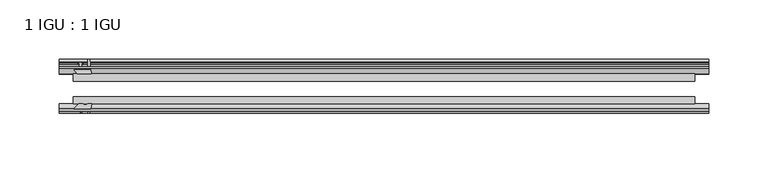
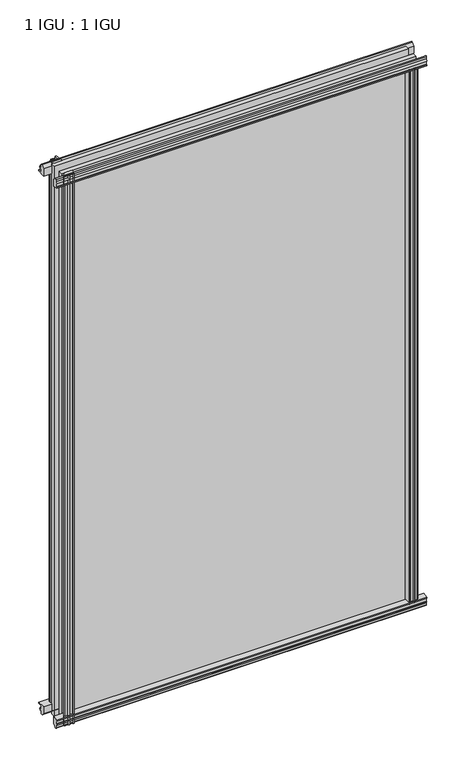
"""IFC4 building model written with IfcOpenShell, lengths in millimetres: plate geometry, 1 IGU : 1 IGU."""

from ifc_helpers import new_model, si_unit, point, frame, frame_2d, origin, origin_with_axes, place, context, project, spatial, polyline, circle_curve, trimmed, segment, composite_curve, outline, extrude, source, transform, mapped, element, save


def plate_1_igu_1_igu_72011014(model_context):
    return source(origin(), model_context, "Body", "SweptSolid", [
        extrude(outline(polyline([(-24.9039062, 2.5763839), (-12.2039062, 1.5739665), (-12.2039062, 0.0), (-18.5539062, 0.0), (-18.5539062, -4.953), (-16.254502, -5.5691235), (-16.6301757, -4.1670901), (-15.7714677, -3.937), (-15.1249062, -6.35), (-15.7714677, -8.763), (-16.6301757, -8.5329099), (-16.254502, -7.1308765), (-18.5539062, -7.747), (-18.5539062, -12.7), (-20.5859062, -12.7), (-24.9039062, -9.1036931), (-24.9039062, 2.5763839)])), frame((-275.3868, 0.0, 0.0), z_axis=(1.0, 0.0, 0.0), x_axis=(0.0, 1.0, 0.0)), (0.0, 0.0, 1.0), 550.7736),
        extrude(outline(composite_curve([segment(polyline([(-58.2287402, 1.5687054), (-50.3039062, 3.0983599), (-50.3039062, -7.92383), (-54.4858806, -12.1058044)]), True, "CONTINUOUS"), segment(trimmed(circle_curve(frame_2d((-55.3839062, -11.2077788)), 1.27), [point((-54.4858806, -12.1058044))], [point((-56.6539062, -11.2077788))], False, "CARTESIAN"), True, "CONTINUOUS"), segment(polyline([(-56.6539062, -11.2077788), (-56.6539062, -8.0327788), (-58.1332022, -5.4488186), (-56.6539062, -5.1879788), (-56.6539062, 0.2222212), (-58.2287402, 0.0), (-58.2287402, 1.5687054)]), True, "CONTINUOUS")], self_intersect=False)), frame((-275.3868, 0.0, 0.0), z_axis=(1.0, 0.0, 0.0), x_axis=(0.0, 1.0, 0.0)), (0.0, 0.0, 1.0), 550.7736),
        extrude(outline(polyline([(-18.5539063, 845.956525), (-16.254502, 845.3404015), (-16.6301757, 846.7424349), (-15.7714677, 846.972525), (-15.1249063, 844.559525), (-15.7714677, 842.146525), (-16.6301757, 842.3766151), (-16.254502, 843.7786485), (-18.5539063, 843.162525), (-18.5539063, 838.209525), (-12.2039062, 838.209525), (-12.2039062, 836.6355585), (-24.9039063, 835.6331411), (-24.9039063, 847.3132181), (-20.5859063, 850.909525), (-18.5539063, 850.909525), (-18.5539063, 845.956525)])), frame((-275.3868, 0.0, 0.0), z_axis=(1.0, 0.0, 0.0), x_axis=(0.0, 1.0, 0.0)), (0.0, 0.0, 1.0), 550.7736),
        extrude(outline(composite_curve([segment(polyline([(-50.3039063, 846.133355), (-50.3039063, 835.1111651), (-58.2287402, 836.6408196), (-58.2287402, 838.209525), (-56.6539063, 837.9873038), (-56.6539063, 843.3975038), (-58.1332023, 843.6583436), (-56.6539063, 846.2423038), (-56.6539063, 849.4173038)]), True, "CONTINUOUS"), segment(trimmed(circle_curve(frame_2d((-55.3839063, 849.4173038)), 1.27), [point((-56.6539063, 849.4173038))], [point((-54.4858806, 850.3153294))], False, "CARTESIAN"), True, "CONTINUOUS"), segment(polyline([(-54.4858806, 850.3153294), (-50.3039063, 846.133355)]), True, "CONTINUOUS")], self_intersect=False)), frame((-275.3868, 0.0, 0.0), z_axis=(1.0, 0.0, 0.0), x_axis=(0.0, 1.0, 0.0)), (0.0, 0.0, 1.0), 550.7736),
        extrude(outline(composite_curve([segment(polyline([(249.093956, -57.3876965), (247.7266401, -50.3039063), (258.74883, -50.3039063), (262.9308044, -54.4858806)]), True, "CONTINUOUS"), segment(trimmed(circle_curve(frame_2d((262.0327788, -55.3839062)), 1.27), [point((262.9308044, -54.4858806))], [point((262.0327788, -56.6539062))], False, "CARTESIAN"), True, "CONTINUOUS"), segment(polyline([(262.0327788, -56.6539062), (258.8577788, -56.6539063), (256.2738186, -58.1332023), (256.0129788, -56.6539063), (250.6027788, -56.6539063), (250.825, -58.2287402), (249.8606792, -58.2014026)]), True, "CONTINUOUS"), segment(trimmed(circle_curve(frame_2d((250.0947788, -57.2127402)), 1.016), [point((249.8606792, -58.2014026))], [point((249.093956, -57.3876965))], False, "CARTESIAN"), True, "CONTINUOUS")], self_intersect=False)), origin_with_axes(), (0.0, 0.0, 1.0), 838.6064),
        extrude(outline(polyline([(255.778, -18.5539062), (256.3941235, -16.254502), (254.9920901, -16.6301757), (254.762, -15.7714677), (257.175, -15.1249062), (259.588, -15.7714677), (259.3579099, -16.6301757), (257.9558765, -16.254502), (258.572, -18.5539062), (263.525, -18.5539062), (263.525, -20.5859063), (259.9286931, -24.9039063), (248.2486161, -24.9039063), (249.2510335, -12.2039062), (250.825, -12.2039062), (250.825, -18.5539062), (255.778, -18.5539062)])), origin_with_axes(), (0.0, 0.0, 1.0), 838.6064),
        extrude(outline(composite_curve([segment(polyline([(-258.8577788, -56.6539062), (-262.0327788, -56.6539062)]), True, "CONTINUOUS"), segment(trimmed(circle_curve(frame_2d((-262.0327788, -55.3839062)), 1.27), [point((-262.0327788, -56.6539062))], [point((-262.9308044, -54.4858806))], False, "CARTESIAN"), True, "CONTINUOUS"), segment(polyline([(-262.9308044, -54.4858806), (-258.74883, -50.3039062), (-255.0792845, -50.3039062)]), True, "CONTINUOUS"), segment(trimmed(circle_curve(frame_2d((-253.0157788, -46.3669062)), 4.445), [point((-255.0792845, -50.3039062))], [point((-250.952273, -50.3039062))], True, "CARTESIAN"), True, "CONTINUOUS"), segment(polyline([(-250.952273, -50.3039062), (-247.7266401, -50.3039062), (-249.2562946, -58.2287402), (-250.825, -58.2287402), (-250.6027788, -56.6539062), (-256.0129788, -56.6539062), (-256.2738186, -58.1332022), (-258.8577788, -56.6539062)]), True, "CONTINUOUS")], self_intersect=False)), frame((0.0, 0.0, -12.7), z_axis=(0.0, 0.0, 1.0), x_axis=(1.0, 0.0, 0.0)), (0.0, 0.0, 1.0), 863.609525),
        extrude(outline(polyline([(-248.2486161, -24.9039062), (-259.9286931, -24.9039062), (-263.525, -20.5859062), (-263.525, -18.5539062), (-258.572, -18.5539062), (-257.9558765, -16.254502), (-259.3579099, -16.6301757), (-259.588, -15.7714677), (-257.175, -15.1249062), (-254.762, -15.7714677), (-254.9920901, -16.6301757), (-256.3941235, -16.254502), (-255.778, -18.5539062), (-250.825, -18.5539062), (-250.825, -12.2039062), (-249.2510335, -12.2039062), (-248.2486161, -24.9039062)])), frame((0.0, 0.0, -12.7), z_axis=(0.0, 0.0, 1.0), x_axis=(1.0, 0.0, 0.0)), (0.0, 0.0, 1.0), 863.609525),
        extrude(outline(polyline([(263.525, -24.9039062), (263.525, -31.2031063), (-263.525, -31.2031063), (-263.525, -24.9039062), (263.525, -24.9039062)])), frame((0.0, 0.0, -12.7), z_axis=(0.0, 0.0, 1.0), x_axis=(1.0, 0.0, 0.0)), (0.0, 0.0, 1.0), 863.609525),
        extrude(outline(polyline([(-263.525, -44.0047063), (263.525, -44.0047063), (263.525, -50.3039062), (-263.525, -50.3039062), (-263.525, -44.0047063)])), frame((0.0, 0.0, -12.7), z_axis=(0.0, 0.0, 1.0), x_axis=(1.0, 0.0, 0.0)), (0.0, 0.0, 1.0), 863.609525),
    ])


if __name__ == "__main__":
    model = new_model("IFC4")
    model_context = context("Model", 3, world=origin())
    ifc_project = project(units=[si_unit("LENGTHUNIT", "METRE", prefix="MILLI")], contexts=[model_context])
    site = spatial("IfcSite", under=ifc_project)
    building = spatial("IfcBuilding", under=site)
    placement = place(None, origin())
    plate_1_igu_1_igu_shape = plate_1_igu_1_igu_72011014(model_context)
    element("IfcPlate", 1, ObjectType="1 IGU : 1 IGU", at=placement, inside=building, context=model_context, shape_type="MappedRepresentation", body=[
        mapped(plate_1_igu_1_igu_shape, transform((0.0, 0.0, 0.0), x_axis=(1.0, 0.0, 0.0), y_axis=(0.0, 1.0, 0.0), z_axis=(0.0, 0.0, 1.0))),
    ])
    save(model, "model.ifc")
